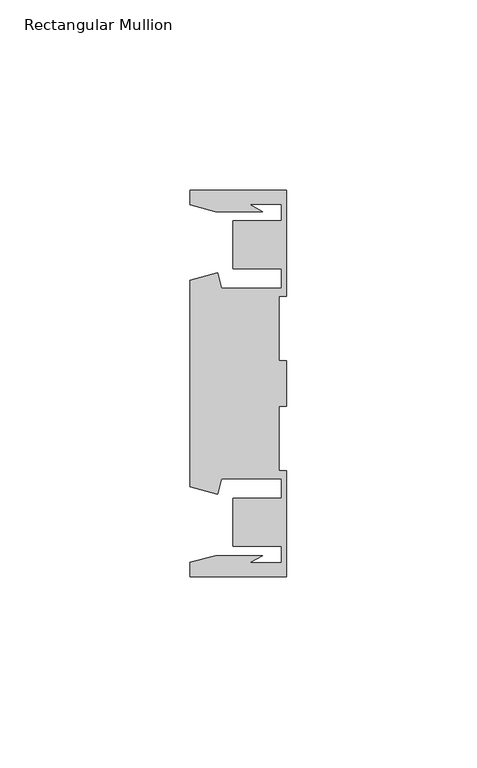
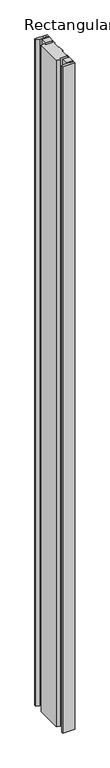
"""IFC4 building model written with IfcOpenShell, lengths in millimetres: member geometry, Rectangular Mullion."""

from ifc_helpers import new_model, si_unit, frame, origin, place, context, project, spatial, polyline, outline, extrude, source, transform, mapped, element, save


def rectangular_mullion_ab161ce9(model_context):
    return source(origin(), model_context, "Body", "SweptSolid", [
        extrude(outline(polyline([(-25.4, 50.7954622), (0.0, 50.7954622), (0.0, 22.9938072), (-2.0000011, 22.9938072), (-2.0000011, 6.0000032), (0.0, 6.0000032), (0.0, -6.0000032), (-2.0000011, -6.0000032), (-2.0000011, -22.9938072), (0.0, -22.9938072), (0.0, -50.7954622), (-25.4, -50.7954622), (-25.4, -46.9998463), (-18.7113002, -45.2076146), (-6.3834869, -45.2076146), (-9.7005662, -47.1227313), (-1.4138425, -47.1227313), (-1.4138425, -42.8128906), (-14.1138425, -42.8128906), (-14.1138425, -30.1128906), (-1.4138425, -30.1128906), (-1.4138425, -25.0120132), (-17.1094033, -25.0120132), (-18.2017212, -29.0885993), (-25.4, -27.1598263), (-25.4, 27.1598263), (-18.2017212, 29.0885993), (-17.1094033, 25.0120132), (-1.4138425, 25.0120132), (-1.4138425, 30.1128906), (-14.1138425, 30.1128906), (-14.1138425, 42.8128906), (-1.4138425, 42.8128906), (-1.4138425, 47.1227313), (-9.7005662, 47.1227313), (-6.3834869, 45.2076146), (-18.7113002, 45.2076146), (-25.4, 46.9998463), (-25.4, 50.7954622)])), frame((0.0, 0.0, -1479.55), z_axis=(0.0, 0.0, 1.0), x_axis=(1.0, 0.0, 0.0)), (0.0, 0.0, 1.0), 1479.55),
    ])


if __name__ == "__main__":
    model = new_model("IFC4")
    model_context = context("Model", 3, world=origin())
    ifc_project = project(units=[si_unit("LENGTHUNIT", "METRE", prefix="MILLI")], contexts=[model_context])
    site = spatial("IfcSite", under=ifc_project)
    building = spatial("IfcBuilding", under=site)
    placement = place(None, origin())
    rectangular_mullion_shape = rectangular_mullion_ab161ce9(model_context)
    element("IfcMember", 1, ObjectType="Rectangular Mullion", at=placement, inside=building, context=model_context, shape_type="MappedRepresentation", body=[
        mapped(rectangular_mullion_shape, transform((0.0, 0.0, 0.0), x_axis=(1.0, 0.0, 0.0), y_axis=(0.0, 1.0, 0.0), z_axis=(0.0, 0.0, 1.0))),
    ])
    save(model, "model.ifc")
